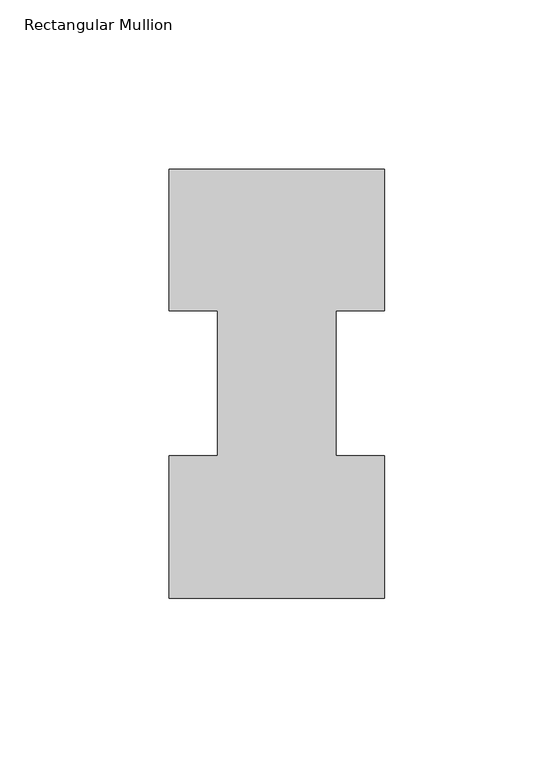
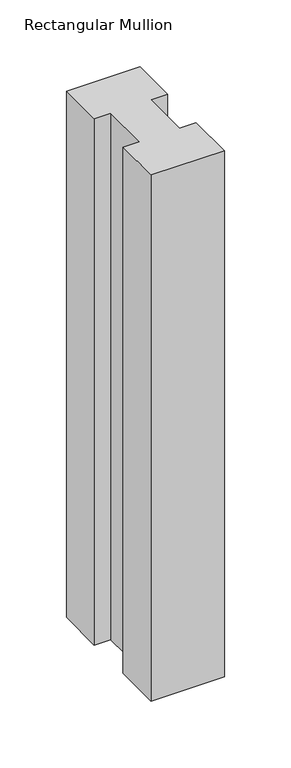
"""IFC4 building model written with IfcOpenShell, lengths in millimetres: member geometry, Rectangular Mullion."""

from ifc_helpers import new_model, si_unit, frame, origin, place, context, project, spatial, polyline, outline, extrude, source, transform, mapped, element, save


def rectangular_mullion_b5951e3e(model_context):
    return source(origin(), model_context, "Body", "SweptSolid", [
        extrude(outline(polyline([(0.0, 133.3825437), (0.0, 91.7773437), (-14.2748, 91.7773437), (-14.2748, 48.9275437), (0.0, 48.9275437), (0.0, 6.8905437), (-63.5, 6.8905437), (-63.5, 48.9275437), (-49.2125, 48.9275437), (-49.2125, 91.7773437), (-63.5, 91.7773437), (-63.5, 133.3825437), (0.0, 133.3825437)])), frame((0.0, 0.0, -481.5416667), z_axis=(0.0, 0.0, 1.0), x_axis=(1.0, 0.0, 0.0)), (0.0, 0.0, 1.0), 481.5416667),
    ])


if __name__ == "__main__":
    model = new_model("IFC4")
    model_context = context("Model", 3, world=origin())
    ifc_project = project(units=[si_unit("LENGTHUNIT", "METRE", prefix="MILLI")], contexts=[model_context])
    site = spatial("IfcSite", under=ifc_project)
    building = spatial("IfcBuilding", under=site)
    placement = place(None, origin())
    rectangular_mullion_shape = rectangular_mullion_b5951e3e(model_context)
    element("IfcMember", 1, ObjectType="Rectangular Mullion", at=placement, inside=building, context=model_context, shape_type="MappedRepresentation", body=[
        mapped(rectangular_mullion_shape, transform((0.0, 0.0, 0.0), x_axis=(1.0, 0.0, 0.0), y_axis=(0.0, 1.0, 0.0), z_axis=(0.0, 0.0, 1.0))),
    ])
    save(model, "model.ifc")
